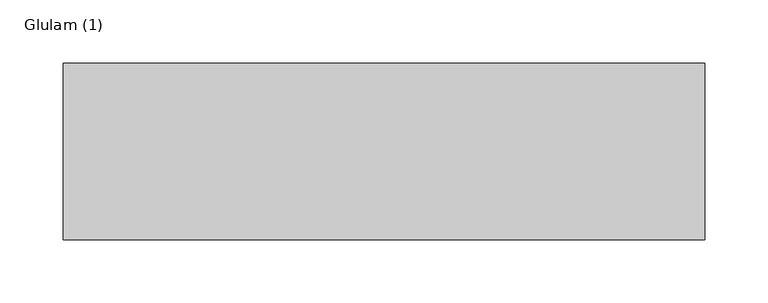
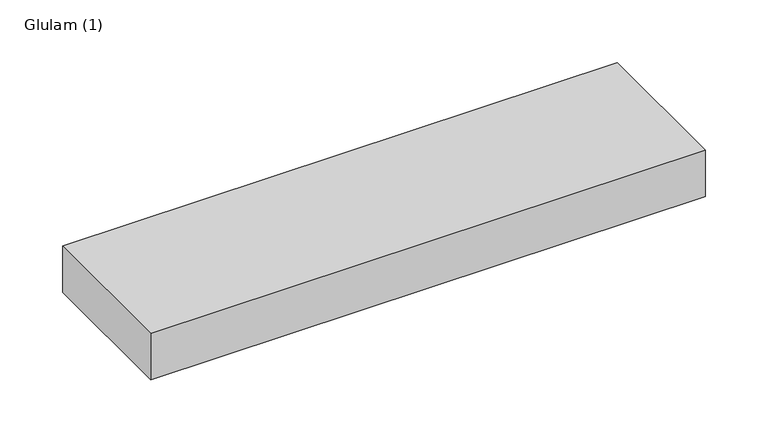
"""IFC4 building model written with IfcOpenShell, lengths in millimetres: beam geometry, Glulam (1)."""

from ifc_helpers import new_model, si_unit, frame, origin, place, context, project, spatial, polyline, outline, extrude, source, transform, mapped, element, save


def glulam_1_da738eb9(model_context):
    return source(origin(), model_context, "Body", "SweptSolid", [
        extrude(outline(polyline([(243.5, 70.0), (243.5, -70.0), (-265.5, -70.0), (-265.5, 70.0), (243.5, 70.0)])), frame((0.0, 0.0, -22.5), z_axis=(0.0, 0.0, 1.0), x_axis=(1.0, 0.0, 0.0)), (0.0, 0.0, 1.0), 45.0),
    ])


if __name__ == "__main__":
    model = new_model("IFC4")
    model_context = context("Model", 3, world=origin())
    ifc_project = project(units=[si_unit("LENGTHUNIT", "METRE", prefix="MILLI")], contexts=[model_context])
    site = spatial("IfcSite", under=ifc_project)
    building = spatial("IfcBuilding", under=site)
    placement = place(None, origin())
    glulam_1_shape = glulam_1_da738eb9(model_context)
    element("IfcBeam", 1, ObjectType="Glulam (1)", at=placement, inside=building, context=model_context, shape_type="MappedRepresentation", body=[
        mapped(glulam_1_shape, transform((0.0, 0.0, 0.0), x_axis=(1.0, 0.0, 0.0), y_axis=(0.0, 1.0, 0.0), z_axis=(0.0, 0.0, 1.0))),
    ])
    save(model, "model.ifc")
